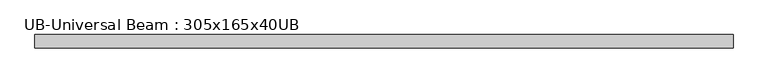
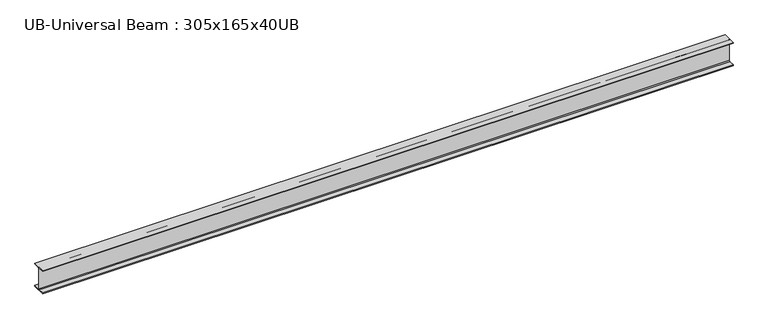
"""IFC4 building model written with IfcOpenShell, lengths in millimetres: beam geometry, UB-Universal Beam : 305x165x40UB."""

from ifc_helpers import new_model, si_unit, point, frame, frame_2d, origin, place, context, project, spatial, polyline, circle_curve, trimmed, segment, composite_curve, outline, extrude, source, transform, mapped, element, save


def ub_universal_beam_305x165x40ub_e4cb3b73(model_context):
    return source(origin(), model_context, "Body", "SweptSolid", [
        extrude(outline(composite_curve([segment(polyline([(82.5, -141.5), (82.5, -151.7), (-82.5, -151.7), (-82.5, -141.5), (-11.9, -141.5)]), True, "CONTINUOUS"), segment(trimmed(circle_curve(frame_2d((-11.9, -132.6)), 8.9), [point((-11.9, -141.5))], [point((-3.0, -132.6))], True, "CARTESIAN"), True, "CONTINUOUS"), segment(polyline([(-3.0, -132.6), (-3.0, 132.6)]), True, "CONTINUOUS"), segment(trimmed(circle_curve(frame_2d((-11.9, 132.6)), 8.9), [point((-3.0, 132.6))], [point((-11.9, 141.5))], True, "CARTESIAN"), True, "CONTINUOUS"), segment(polyline([(-11.9, 141.5), (-82.5, 141.5), (-82.5, 151.7), (82.5, 151.7), (82.5, 141.5), (11.9, 141.5)]), True, "CONTINUOUS"), segment(trimmed(circle_curve(frame_2d((11.9, 132.6)), 8.9), [point((11.9, 141.5))], [point((3.0, 132.6))], True, "CARTESIAN"), True, "CONTINUOUS"), segment(polyline([(3.0, 132.6), (3.0, -132.6)]), True, "CONTINUOUS"), segment(trimmed(circle_curve(frame_2d((11.9, -132.6)), 8.9), [point((3.0, -132.6))], [point((11.9, -141.5))], True, "CARTESIAN"), True, "CONTINUOUS"), segment(polyline([(11.9, -141.5), (82.5, -141.5)]), True, "CONTINUOUS")], self_intersect=False)), frame((-4291.5738458, 0.0, 0.0), z_axis=(1.0, 0.0, 0.0), x_axis=(0.0, 1.0, 0.0)), (0.0, 0.0, 1.0), 8590.6963044),
    ])


if __name__ == "__main__":
    model = new_model("IFC4")
    model_context = context("Model", 3, world=origin())
    ifc_project = project(units=[si_unit("LENGTHUNIT", "METRE", prefix="MILLI")], contexts=[model_context])
    site = spatial("IfcSite", under=ifc_project)
    building = spatial("IfcBuilding", under=site)
    placement = place(None, origin())
    ub_universal_beam_305x165x40ub_shape = ub_universal_beam_305x165x40ub_e4cb3b73(model_context)
    element("IfcBeam", 1, ObjectType="UB-Universal Beam : 305x165x40UB", at=placement, inside=building, context=model_context, shape_type="MappedRepresentation", body=[
        mapped(ub_universal_beam_305x165x40ub_shape, transform((0.0, 0.0, 0.0), x_axis=(1.0, 0.0, 0.0), y_axis=(0.0, 1.0, 0.0), z_axis=(0.0, 0.0, 1.0))),
    ])
    save(model, "model.ifc")
